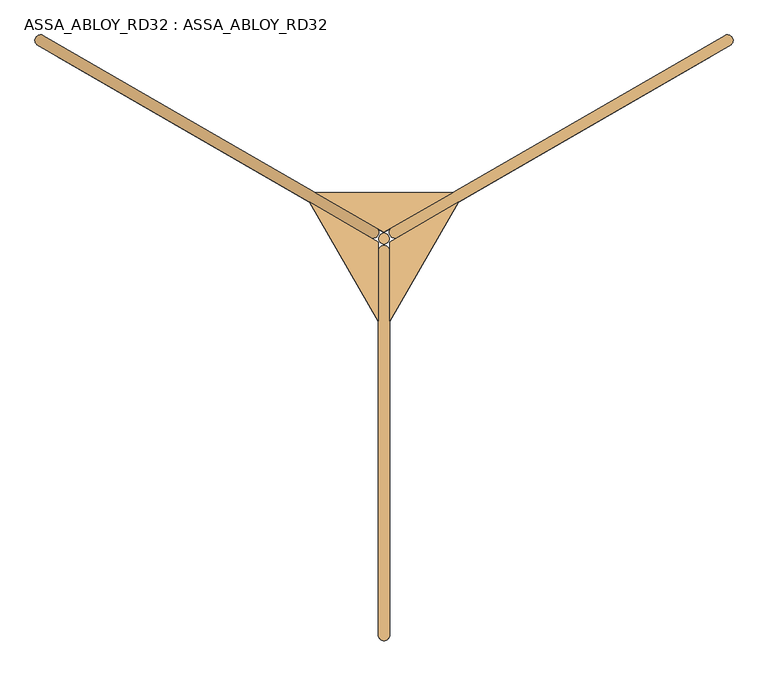
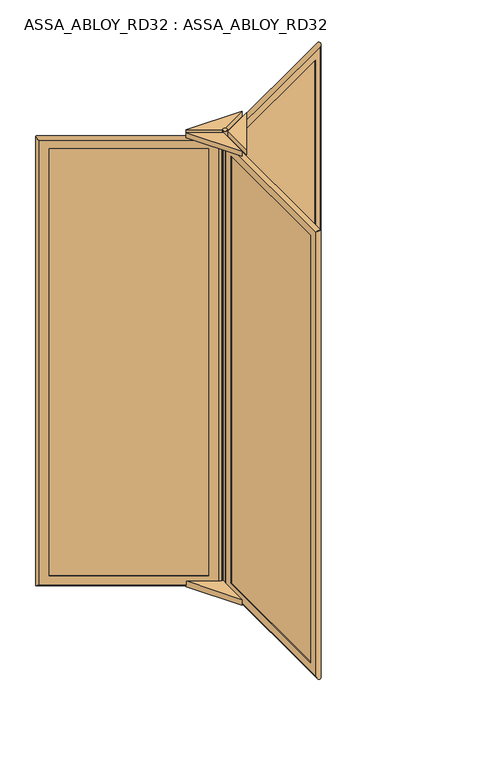
"""IFC4 building model written with IfcOpenShell, lengths in millimetres: door geometry, ASSA_ABLOY_RD32 : ASSA_ABLOY_RD32."""

from ifc_helpers import new_model, si_unit, point, frame, frame_2d, origin, origin_with_axes, place, context, project, spatial, polyline, circle_curve, ellipse_curve, trimmed, segment, composite_curve, outline, extrude, source, transform, mapped, element, save
from ifc_brep_helpers import plane_surface, cylinder_surface, advanced_brep


def assa_abloy_rd32_assa_abloy_rd32_87465369(model_context):
    return source(origin(), model_context, "Body", "SolidModel", [
        advanced_brep(
        [(881.0172302, 424.939746, 105.0), (882.5172302, 422.3416698, 105.0), (882.5172302, 422.3416698, 2673.0), (881.0172302, 424.939746, 2673.0), (888.3377382, 452.260254, 85.0), (898.3377382, 434.939746, 85.0), (898.3377382, 434.939746, 2693.0), (888.3377382, 452.260254, 2693.0), (869.5172302, 444.8583302, 105.0), (871.0172302, 442.260254, 105.0), (871.0172302, 442.260254, 2673.0), (869.5172302, 444.8583302, 2673.0), (927.5505512, 448.3416698, 53.0), (914.5505512, 470.8583302, 53.0), (914.5505512, 470.8583302, 2725.0), (927.5505512, 448.3416698, 2725.0), (201.6480577, 29.2416698, 2673.0), (200.1480577, 31.839746, 2673.0), (182.8275496, 21.839746, 2693.0), (172.8275496, 39.160254, 2693.0), (190.1480577, 49.160254, 2673.0), (188.6480577, 51.7583302, 2673.0), (143.6147367, 25.7583302, 2725.0), (156.6147367, 3.2416698, 2725.0), (201.6480577, 29.2416698, 105.0), (200.1480577, 31.839746, 105.0), (182.8275496, 21.839746, 85.0), (172.8275496, 39.160254, 85.0), (190.1480577, 49.160254, 105.0), (188.6480577, 51.7583302, 105.0), (143.6147367, 25.7583302, 53.0), (156.6147367, 3.2416698, 53.0)],
        [
            (0, 1),
            (1, 2),
            (2, 3),
            (3, 0),
            (4, 5),
            (5, 6),
            (6, 7),
            (7, 4),
            (8, 9),
            (9, 10),
            (10, 11),
            (11, 8),
            (12, 13, ellipse_curve(frame((921.0505512, 459.6, 53.0), z_axis=(0.6123724356958007, 0.35355339059326285, 0.7071067811865475), x_axis=(0.6123724356957908, 0.3535533905932797, -0.7071067811865477)), 18.3847763, 13.0)),
            (13, 14),
            (14, 15, ellipse_curve(frame((921.0505512, 459.6, 2725.0), z_axis=(0.612372435695791, 0.3535533905932798, -0.7071067811865475), x_axis=(-0.6123724356958007, -0.3535533905932628, -0.7071067811865476)), 18.3847763, 13.0)),
            (15, 12),
            (2, 16),
            (16, 17),
            (17, 3),
            (6, 18),
            (18, 19),
            (19, 7),
            (10, 20),
            (20, 21),
            (21, 11),
            (14, 22),
            (22, 23, ellipse_curve(frame((150.1147367, 14.5, 2725.0), z_axis=(0.6123724356958007, 0.35355339059326285, 0.7071067811865475), x_axis=(0.6123724356957913, 0.35355339059327995, -0.7071067811865472)), 18.3847763, 13.0)),
            (23, 15),
            (16, 24),
            (24, 25),
            (25, 17),
            (18, 26),
            (26, 27),
            (27, 19),
            (20, 28),
            (28, 29),
            (29, 21),
            (22, 30),
            (30, 31, ellipse_curve(frame((150.1147367, 14.5, 53.0), z_axis=(-0.612372435695791, -0.3535533905932798, 0.7071067811865475), x_axis=(0.6123724356958007, 0.3535533905932628, 0.7071067811865476)), 18.3847763, 13.0)),
            (31, 23),
            (24, 1),
            (0, 25),
            (5, 26),
            (4, 27),
            (9, 28),
            (8, 29),
            (13, 30),
            (12, 31),
        ],
        [
            plane_surface(frame((882.5172302, 422.3416698, 105.0), z_axis=(-0.8660254037844419, -0.49999999999999445, 0.0), x_axis=(0.0, 0.0, 1.0))),
            plane_surface(frame((898.3377382, 434.939746, 85.0), z_axis=(-0.8660254037844408, -0.4999999999999964, 0.0), x_axis=(0.0, 0.0, 1.0))),
            plane_surface(frame((871.0172302, 442.260254, 105.0), z_axis=(-0.8660254037844419, -0.49999999999999445, 0.0), x_axis=(0.0, 0.0, 1.0))),
            cylinder_surface(frame((921.0505512, 459.6, 40.0), z_axis=(0.0, 0.0, -1.0), x_axis=(-0.8660254037844406, -0.4999999999999966, 0.0)), 13.0),
            plane_surface(frame((882.5172302, 422.3416698, 2673.0), z_axis=(0.0, 0.0, -1.0), x_axis=(-0.8660254037844406, -0.4999999999999966, 0.0))),
            plane_surface(frame((898.3377382, 434.939746, 2693.0), z_axis=(0.0, 0.0, -1.0), x_axis=(-0.8660254037844406, -0.4999999999999966, 0.0))),
            plane_surface(frame((871.0172302, 442.260254, 2673.0), z_axis=(0.0, 0.0, -1.0), x_axis=(-0.8660254037844406, -0.4999999999999966, 0.0))),
            cylinder_surface(frame((932.3088814, 466.1, 2725.0), z_axis=(0.8660254037844406, 0.4999999999999966, 0.0), x_axis=(0.0, 0.0, -1.0)), 13.0),
            plane_surface(frame((201.6480577, 29.2416698, 2673.0), z_axis=(0.8660254037844394, 0.49999999999999883, 0.0), x_axis=(0.0, 0.0, -1.0))),
            plane_surface(frame((182.8275496, 21.839746, 2693.0), z_axis=(0.8660254037844405, 0.4999999999999969, 0.0), x_axis=(0.0, 0.0, -1.0))),
            plane_surface(frame((190.1480577, 49.160254, 2673.0), z_axis=(0.8660254037844394, 0.49999999999999883, 0.0), x_axis=(0.0, 0.0, -1.0))),
            cylinder_surface(frame((150.1147367, 14.5, 2738.0), z_axis=(0.0, 0.0, 1.0), x_axis=(0.8660254037844406, 0.4999999999999966, 0.0)), 13.0),
            plane_surface(frame((201.6480577, 29.2416698, 105.0), z_axis=(0.0, 0.0, 1.0), x_axis=(0.8660254037844406, 0.4999999999999966, 0.0))),
            plane_surface(frame((200.1480577, 31.839746, 105.0), z_axis=(-0.4999999999999966, 0.8660254037844406, 0.0), x_axis=(0.8660254037844406, 0.4999999999999966, 0.0))),
            plane_surface(frame((182.8275496, 21.839746, 85.0), z_axis=(0.0, 0.0, 1.0), x_axis=(0.8660254037844406, 0.4999999999999966, 0.0))),
            plane_surface(frame((172.8275496, 39.160254, 85.0), z_axis=(0.4999999999999966, -0.8660254037844406, 0.0), x_axis=(0.8660254037844406, 0.4999999999999966, 0.0))),
            plane_surface(frame((190.1480577, 49.160254, 105.0), z_axis=(0.0, 0.0, 1.0), x_axis=(0.8660254037844406, 0.4999999999999966, 0.0))),
            plane_surface(frame((188.6480577, 51.7583302, 105.0), z_axis=(-0.4999999999999966, 0.8660254037844406, 0.0), x_axis=(0.8660254037844406, 0.4999999999999966, 0.0))),
            cylinder_surface(frame((138.8564065, 8.0, 53.0), z_axis=(-0.8660254037844406, -0.4999999999999966, 0.0), x_axis=(0.0, 0.0, 1.0)), 13.0),
            plane_surface(frame((156.6147367, 3.2416698, 53.0), z_axis=(0.4999999999999966, -0.8660254037844406, 0.0), x_axis=(0.8660254037844406, 0.4999999999999966, 0.0))),
        ],
        [
            (0, [[1, 2, 3, 4]]),
            (1, [[5, 6, 7, 8]]),
            (2, [[9, 10, 11, 12]]),
            (3, [[13, 14, 15, 16]]),
            (4, [[-3, 17, 18, 19]]),
            (5, [[-7, 20, 21, 22]]),
            (6, [[-11, 23, 24, 25]]),
            (7, [[-15, 26, 27, 28]]),
            (8, [[-18, 29, 30, 31]]),
            (9, [[-21, 32, 33, 34]]),
            (10, [[-24, 35, 36, 37]]),
            (11, [[-27, 38, 39, 40]]),
            (12, [[-30, 41, -1, 42]]),
            (13, [[43, -32, -20, -6], [-19, -31, -42, -4]]),
            (14, [[-33, -43, -5, 44]]),
            (15, [[-22, -34, -44, -8], [45, -35, -23, -10]]),
            (16, [[-36, -45, -9, 46]]),
            (17, [[47, -38, -26, -14], [-25, -37, -46, -12]]),
            (18, [[-39, -47, -13, 48]]),
            (19, [[-28, -40, -48, -16], [-41, -29, -17, -2]]),
        ],
    ),
        extrude(outline(polyline([(890.8377382, 447.930127), (895.8377382, 439.269873), (180.3275496, 26.169873), (175.3275496, 34.830127), (890.8377382, 447.930127)])), frame((0.0, 0.0, 85.0), z_axis=(0.0, 0.0, 1.0), x_axis=(1.0, 0.0, 0.0)), (0.0, 0.0, 1.0), 2608.0),
        advanced_brep(
        [(-621.0172302, 442.260254, 105.0), (-619.5172302, 444.8583302, 105.0), (-619.5172302, 444.8583302, 2673.0), (-621.0172302, 442.260254, 2673.0), (-648.3377382, 434.939746, 85.0), (-638.3377382, 452.260254, 85.0), (-638.3377382, 452.260254, 2693.0), (-648.3377382, 434.939746, 2693.0), (-632.5172302, 422.3416698, 105.0), (-631.0172302, 424.939746, 105.0), (-631.0172302, 424.939746, 2673.0), (-632.5172302, 422.3416698, 2673.0), (-664.5505512, 470.8583302, 53.0), (-677.5505512, 448.3416698, 53.0), (-677.5505512, 448.3416698, 2725.0), (-664.5505512, 470.8583302, 2725.0), (61.3519423, 51.7583302, 2673.0), (59.8519423, 49.160254, 2673.0), (77.1724504, 39.160254, 2693.0), (67.1724504, 21.839746, 2693.0), (49.8519423, 31.839746, 2673.0), (48.3519423, 29.2416698, 2673.0), (93.3852633, 3.2416698, 2725.0), (106.3852633, 25.7583302, 2725.0), (61.3519423, 51.7583302, 105.0), (59.8519423, 49.160254, 105.0), (77.1724504, 39.160254, 85.0), (67.1724504, 21.839746, 85.0), (49.8519423, 31.839746, 105.0), (48.3519423, 29.2416698, 105.0), (93.3852633, 3.2416698, 53.0), (106.3852633, 25.7583302, 53.0)],
        [
            (0, 1),
            (1, 2),
            (2, 3),
            (3, 0),
            (4, 5),
            (5, 6),
            (6, 7),
            (7, 4),
            (8, 9),
            (9, 10),
            (10, 11),
            (11, 8),
            (12, 13, ellipse_curve(frame((-671.0505512, 459.6, 53.0), z_axis=(-0.612372435695792, 0.35355339059327806, 0.7071067811865475), x_axis=(-0.6123724356958017, 0.3535533905932611, -0.7071067811865476)), 18.3847763, 13.0)),
            (13, 14),
            (14, 15, ellipse_curve(frame((-671.0505512, 459.6, 2725.0), z_axis=(-0.6123724356958017, 0.35355339059326113, -0.7071067811865475), x_axis=(0.6123724356957919, -0.353553390593278, -0.7071067811865477)), 18.3847763, 13.0)),
            (15, 12),
            (2, 16),
            (16, 17),
            (17, 3),
            (6, 18),
            (18, 19),
            (19, 7),
            (10, 20),
            (20, 21),
            (21, 11),
            (14, 22),
            (22, 23, ellipse_curve(frame((99.8852633, 14.5, 2725.0), z_axis=(-0.612372435695792, 0.35355339059327806, 0.7071067811865475), x_axis=(-0.6123724356958017, 0.3535533905932612, -0.7071067811865475)), 18.3847763, 13.0)),
            (23, 15),
            (16, 24),
            (24, 25),
            (25, 17),
            (18, 26),
            (26, 27),
            (27, 19),
            (20, 28),
            (28, 29),
            (29, 21),
            (22, 30),
            (30, 31, ellipse_curve(frame((99.8852633, 14.5, 53.0), z_axis=(0.6123724356958017, -0.35355339059326113, 0.7071067811865475), x_axis=(-0.6123724356957919, 0.353553390593278, 0.7071067811865477)), 18.3847763, 13.0)),
            (31, 23),
            (24, 1),
            (0, 25),
            (5, 26),
            (4, 27),
            (9, 28),
            (8, 29),
            (13, 30),
            (12, 31),
        ],
        [
            plane_surface(frame((-619.5172302, 444.8583302, 105.0), z_axis=(0.8660254037844408, -0.4999999999999964, 0.0), x_axis=(0.0, 0.0, 1.0))),
            plane_surface(frame((-638.3377382, 452.260254, 85.0), z_axis=(0.8660254037844419, -0.49999999999999445, 0.0), x_axis=(0.0, 0.0, 1.0))),
            plane_surface(frame((-631.0172302, 424.939746, 105.0), z_axis=(0.8660254037844408, -0.4999999999999964, 0.0), x_axis=(0.0, 0.0, 1.0))),
            cylinder_surface(frame((-671.0505512, 459.6, 40.0), z_axis=(0.0, 0.0, -1.0), x_axis=(0.8660254037844415, -0.49999999999999384, 0.0)), 13.0),
            plane_surface(frame((-619.5172302, 444.8583302, 2673.0), z_axis=(0.0, 0.0, -1.0), x_axis=(0.866025403784442, -0.49999999999999417, 0.0))),
            plane_surface(frame((-638.3377382, 452.260254, 2693.0), z_axis=(0.0, 0.0, -1.0), x_axis=(0.866025403784442, -0.49999999999999417, 0.0))),
            plane_surface(frame((-631.0172302, 424.939746, 2673.0), z_axis=(0.0, 0.0, -1.0), x_axis=(0.866025403784442, -0.49999999999999417, 0.0))),
            cylinder_surface(frame((-682.3088814, 466.1, 2725.0), z_axis=(-0.8660254037844415, 0.49999999999999384, 0.0), x_axis=(0.0, 0.0, -1.0)), 13.0),
            plane_surface(frame((61.3519423, 51.7583302, 2673.0), z_axis=(-0.8660254037844433, 0.49999999999999195, 0.0), x_axis=(0.0, 0.0, -1.0))),
            plane_surface(frame((77.1724504, 39.160254, 2693.0), z_axis=(-0.8660254037844421, 0.4999999999999939, 0.0), x_axis=(0.0, 0.0, -1.0))),
            plane_surface(frame((49.8519423, 31.839746, 2673.0), z_axis=(-0.8660254037844433, 0.49999999999999195, 0.0), x_axis=(0.0, 0.0, -1.0))),
            cylinder_surface(frame((99.8852633, 14.5, 2738.0), z_axis=(0.0, 0.0, 1.0), x_axis=(-0.8660254037844415, 0.49999999999999384, 0.0)), 13.0),
            plane_surface(frame((61.3519423, 51.7583302, 105.0), z_axis=(0.0, 0.0, 1.0), x_axis=(-0.866025403784442, 0.49999999999999417, 0.0))),
            plane_surface(frame((59.8519423, 49.160254, 105.0), z_axis=(-0.49999999999999417, -0.866025403784442, 0.0), x_axis=(-0.866025403784442, 0.49999999999999417, 0.0))),
            plane_surface(frame((77.1724504, 39.160254, 85.0), z_axis=(0.0, 0.0, 1.0), x_axis=(-0.866025403784442, 0.49999999999999417, 0.0))),
            plane_surface(frame((67.1724504, 21.839746, 85.0), z_axis=(0.49999999999999417, 0.866025403784442, 0.0), x_axis=(-0.866025403784442, 0.49999999999999417, 0.0))),
            plane_surface(frame((49.8519423, 31.839746, 105.0), z_axis=(0.0, 0.0, 1.0), x_axis=(-0.866025403784442, 0.49999999999999417, 0.0))),
            plane_surface(frame((48.3519423, 29.2416698, 105.0), z_axis=(-0.49999999999999417, -0.866025403784442, 0.0), x_axis=(-0.866025403784442, 0.49999999999999417, 0.0))),
            cylinder_surface(frame((111.1435935, 8.0, 53.0), z_axis=(0.8660254037844415, -0.49999999999999384, 0.0), x_axis=(0.0, 0.0, 1.0)), 13.0),
            plane_surface(frame((106.3852633, 25.7583302, 53.0), z_axis=(0.49999999999999417, 0.866025403784442, 0.0), x_axis=(-0.866025403784442, 0.49999999999999417, 0.0))),
        ],
        [
            (0, [[1, 2, 3, 4]]),
            (1, [[5, 6, 7, 8]]),
            (2, [[9, 10, 11, 12]]),
            (3, [[13, 14, 15, 16]]),
            (4, [[-3, 17, 18, 19]]),
            (5, [[-7, 20, 21, 22]]),
            (6, [[-11, 23, 24, 25]]),
            (7, [[-15, 26, 27, 28]]),
            (8, [[-18, 29, 30, 31]]),
            (9, [[-21, 32, 33, 34]]),
            (10, [[-24, 35, 36, 37]]),
            (11, [[-27, 38, 39, 40]]),
            (12, [[-30, 41, -1, 42]]),
            (13, [[43, -32, -20, -6], [-19, -31, -42, -4]]),
            (14, [[-33, -43, -5, 44]]),
            (15, [[-22, -34, -44, -8], [45, -35, -23, -10]]),
            (16, [[-36, -45, -9, 46]]),
            (17, [[47, -38, -26, -14], [-25, -37, -46, -12]]),
            (18, [[-39, -47, -13, 48]]),
            (19, [[-28, -40, -48, -16], [-41, -29, -17, -2]]),
        ],
    ),
        extrude(outline(polyline([(-645.8377382, 439.269873), (-640.8377382, 447.930127), (74.6724504, 34.830127), (69.6724504, 26.169873), (-645.8377382, 439.269873)])), frame((0.0, 0.0, 85.0), z_axis=(0.0, 0.0, 1.0), x_axis=(1.0, 0.0, 0.0)), (0.0, 0.0, 1.0), 2608.0),
        advanced_brep(
        [(115.0, -867.2, 105.0), (112.0, -867.2, 105.0), (112.0, -867.2, 2673.0), (115.0, -867.2, 2673.0), (135.0, -887.2, 85.0), (115.0, -887.2, 85.0), (115.0, -887.2, 2693.0), (135.0, -887.2, 2693.0), (138.0, -867.2, 105.0), (135.0, -867.2, 105.0), (135.0, -867.2, 2673.0), (138.0, -867.2, 2673.0), (112.0, -919.2, 53.0), (138.0, -919.2, 53.0), (138.0, -919.2, 2725.0), (112.0, -919.2, 2725.0), (112.0, -81.0, 2673.0), (115.0, -81.0, 2673.0), (115.0, -61.0, 2693.0), (135.0, -61.0, 2693.0), (135.0, -81.0, 2673.0), (138.0, -81.0, 2673.0), (138.0, -29.0, 2725.0), (112.0, -29.0, 2725.0), (112.0, -81.0, 105.0), (115.0, -81.0, 105.0), (115.0, -61.0, 85.0), (135.0, -61.0, 85.0), (135.0, -81.0, 105.0), (138.0, -81.0, 105.0), (138.0, -29.0, 53.0), (112.0, -29.0, 53.0)],
        [
            (0, 1),
            (1, 2),
            (2, 3),
            (3, 0),
            (4, 5),
            (5, 6),
            (6, 7),
            (7, 4),
            (8, 9),
            (9, 10),
            (10, 11),
            (11, 8),
            (12, 13, ellipse_curve(frame((125.0, -919.2, 53.0), z_axis=(0.0, -0.7071067811865475, 0.7071067811865475), x_axis=(0.0, -0.7071067811865474, -0.7071067811865476)), 18.3847763, 13.0)),
            (13, 14),
            (14, 15, ellipse_curve(frame((125.0, -919.2, 2725.0), z_axis=(0.0, -0.7071067811865475, -0.7071067811865475), x_axis=(0.0, 0.7071067811865474, -0.7071067811865476)), 18.3847763, 13.0)),
            (15, 12),
            (2, 16),
            (16, 17),
            (17, 3),
            (6, 18),
            (18, 19),
            (19, 7),
            (10, 20),
            (20, 21),
            (21, 11),
            (14, 22),
            (22, 23, ellipse_curve(frame((125.0, -29.0, 2725.0), z_axis=(0.0, -0.7071067811865475, 0.7071067811865475), x_axis=(0.0, -0.7071067811865476, -0.7071067811865474)), 18.3847763, 13.0)),
            (23, 15),
            (16, 24),
            (24, 25),
            (25, 17),
            (18, 26),
            (26, 27),
            (27, 19),
            (20, 28),
            (28, 29),
            (29, 21),
            (22, 30),
            (30, 31, ellipse_curve(frame((125.0, -29.0, 53.0), z_axis=(0.0, 0.7071067811865475, 0.7071067811865475), x_axis=(0.0, -0.7071067811865474, 0.7071067811865476)), 18.3847763, 13.0)),
            (31, 23),
            (24, 1),
            (0, 25),
            (5, 26),
            (4, 27),
            (9, 28),
            (8, 29),
            (13, 30),
            (12, 31),
        ],
        [
            plane_surface(frame((112.0, -867.2, 105.0), z_axis=(0.0, 1.0, 0.0), x_axis=(0.0, 0.0, 1.0))),
            plane_surface(frame((115.0, -887.2, 85.0), z_axis=(0.0, 1.0, 0.0), x_axis=(0.0, 0.0, 1.0))),
            plane_surface(frame((135.0, -867.2, 105.0), z_axis=(0.0, 1.0, 0.0), x_axis=(0.0, 0.0, 1.0))),
            cylinder_surface(frame((125.0, -919.2, 40.0), z_axis=(0.0, 0.0, -1.0), x_axis=(0.0, 1.0000000000000009, 0.0)), 13.0),
            plane_surface(frame((112.0, -867.2, 2673.0), z_axis=(0.0, 0.0, -1.0), x_axis=(0.0, 1.0, 0.0))),
            plane_surface(frame((115.0, -887.2, 2693.0), z_axis=(0.0, 0.0, -1.0), x_axis=(0.0, 1.0, 0.0))),
            plane_surface(frame((135.0, -867.2, 2673.0), z_axis=(0.0, 0.0, -1.0), x_axis=(0.0, 1.0, 0.0))),
            cylinder_surface(frame((125.0, -932.2, 2725.0), z_axis=(0.0, -1.0000000000000009, 0.0), x_axis=(0.0, 0.0, -1.0)), 13.0),
            plane_surface(frame((112.0, -81.0, 2673.0), z_axis=(0.0, -1.0, 0.0), x_axis=(0.0, 0.0, -1.0))),
            plane_surface(frame((115.0, -61.0, 2693.0), z_axis=(0.0, -1.0, 0.0), x_axis=(0.0, 0.0, -1.0))),
            plane_surface(frame((135.0, -81.0, 2673.0), z_axis=(0.0, -1.0, 0.0), x_axis=(0.0, 0.0, -1.0))),
            cylinder_surface(frame((125.0, -29.0, 2738.0), z_axis=(0.0, 0.0, 1.0), x_axis=(0.0, -1.0000000000000009, 0.0)), 13.0),
            plane_surface(frame((112.0, -81.0, 105.0), z_axis=(0.0, 0.0, 1.0), x_axis=(0.0, -1.0, 0.0))),
            plane_surface(frame((115.0, -81.0, 105.0), z_axis=(1.0, 0.0, 0.0), x_axis=(0.0, -1.0, 0.0))),
            plane_surface(frame((115.0, -61.0, 85.0), z_axis=(0.0, 0.0, 1.0), x_axis=(0.0, -1.0, 0.0))),
            plane_surface(frame((135.0, -61.0, 85.0), z_axis=(-1.0, 0.0, 0.0), x_axis=(0.0, -1.0, 0.0))),
            plane_surface(frame((135.0, -81.0, 105.0), z_axis=(0.0, 0.0, 1.0), x_axis=(0.0, -1.0, 0.0))),
            plane_surface(frame((138.0, -81.0, 105.0), z_axis=(1.0, 0.0, 0.0), x_axis=(0.0, -1.0, 0.0))),
            cylinder_surface(frame((125.0, -16.0, 53.0), z_axis=(0.0, 1.0000000000000009, 0.0), x_axis=(0.0, 0.0, 1.0)), 13.0),
            plane_surface(frame((112.0, -29.0, 53.0), z_axis=(-1.0, 0.0, 0.0), x_axis=(0.0, -1.0, 0.0))),
        ],
        [
            (0, [[1, 2, 3, 4]]),
            (1, [[5, 6, 7, 8]]),
            (2, [[9, 10, 11, 12]]),
            (3, [[13, 14, 15, 16]]),
            (4, [[-3, 17, 18, 19]]),
            (5, [[-7, 20, 21, 22]]),
            (6, [[-11, 23, 24, 25]]),
            (7, [[-15, 26, 27, 28]]),
            (8, [[-18, 29, 30, 31]]),
            (9, [[-21, 32, 33, 34]]),
            (10, [[-24, 35, 36, 37]]),
            (11, [[-27, 38, 39, 40]]),
            (12, [[-30, 41, -1, 42]]),
            (13, [[43, -32, -20, -6], [-19, -31, -42, -4]]),
            (14, [[-33, -43, -5, 44]]),
            (15, [[-22, -34, -44, -8], [45, -35, -23, -10]]),
            (16, [[-36, -45, -9, 46]]),
            (17, [[47, -38, -26, -14], [-25, -37, -46, -12]]),
            (18, [[-39, -47, -13, 48]]),
            (19, [[-28, -40, -48, -16], [-41, -29, -17, -2]]),
        ],
    ),
        extrude(outline(polyline([(130.0, -887.2), (120.0, -887.2), (120.0, -61.0), (130.0, -61.0), (130.0, -887.2)])), frame((0.0, 0.0, 85.0), z_axis=(0.0, 0.0, 1.0), x_axis=(1.0, 0.0, 0.0)), (0.0, 0.0, 1.0), 2608.0),
        extrude(outline(polyline([(112.0, -191.5593903), (-47.3952983, 84.5213649), (112.0, -7.5055535), (112.0, -191.5593903)])), frame((0.0, 0.0, 2738.0), z_axis=(0.0, 0.0, 1.0), x_axis=(1.0, 0.0, 0.0)), (0.0, 0.0, 1.0), 31.5),
        extrude(outline(polyline([(-34.3952983, 107.0380254), (284.3952983, 107.0380254), (125.0, 15.011107), (-34.3952983, 107.0380254)])), frame((0.0, 0.0, 2738.0), z_axis=(0.0, 0.0, 1.0), x_axis=(1.0, 0.0, 0.0)), (0.0, 0.0, 1.0), 31.5),
        extrude(outline(polyline([(297.3952983, 84.5213649), (138.0, -191.5593903), (138.0, -7.5055535), (297.3952983, 84.5213649)])), frame((0.0, 0.0, 2738.0), z_axis=(0.0, 0.0, 1.0), x_axis=(1.0, 0.0, 0.0)), (0.0, 0.0, 1.0), 31.5),
        extrude(outline(polyline([(297.3952983, 84.5213649), (138.0, -191.5593903), (138.0, -7.5055535), (297.3952983, 84.5213649)])), frame((0.0, 0.0, 40.0), z_axis=(0.0, 0.0, 1.0), x_axis=(1.0, 0.0, 0.0)), (0.0, 0.0, 1.0), 34.93),
        extrude(outline(polyline([(112.0, -191.5593903), (-47.3952983, 84.5213649), (112.0, -7.5055535), (112.0, -191.5593903)])), frame((0.0, 0.0, 40.0), z_axis=(0.0, 0.0, 1.0), x_axis=(1.0, 0.0, 0.0)), (0.0, 0.0, 1.0), 34.93),
        extrude(outline(polyline([(-34.3952983, 107.0380254), (284.3952983, 107.0380254), (125.0, 15.011107), (-34.3952983, 107.0380254)])), frame((0.0, 0.0, 40.0), z_axis=(0.0, 0.0, 1.0), x_axis=(1.0, 0.0, 0.0)), (0.0, 0.0, 1.0), 34.93),
        extrude(outline(composite_curve([segment(trimmed(circle_curve(frame_2d((125.0, 0.0)), 12.5), [point((137.5, 0.0))], [point((112.5, 0.0))], False, "CARTESIAN"), True, "CONTINUOUS"), segment(trimmed(circle_curve(frame_2d((125.0, 0.0)), 12.5), [point((112.5, 0.0))], [point((137.5, 0.0))], False, "CARTESIAN"), True, "CONTINUOUS")], self_intersect=False)), origin_with_axes(), (0.0, 0.0, 1.0), 2778.0),
    ])


if __name__ == "__main__":
    model = new_model("IFC4")
    model_context = context("Model", 3, world=origin())
    ifc_project = project(units=[si_unit("LENGTHUNIT", "METRE", prefix="MILLI")], contexts=[model_context])
    site = spatial("IfcSite", under=ifc_project)
    building = spatial("IfcBuilding", under=site)
    placement = place(None, origin())
    assa_abloy_rd32_assa_abloy_rd32_shape = assa_abloy_rd32_assa_abloy_rd32_87465369(model_context)
    element("IfcDoor", 1, ObjectType="ASSA_ABLOY_RD32 : ASSA_ABLOY_RD32", at=placement, inside=building, context=model_context, shape_type="MappedRepresentation", body=[
        mapped(assa_abloy_rd32_assa_abloy_rd32_shape, transform((0.0, 0.0, 0.0), x_axis=(1.0, 0.0, 0.0), y_axis=(0.0, 1.0, 0.0), z_axis=(0.0, 0.0, 1.0))),
    ])
    save(model, "model.ifc")
